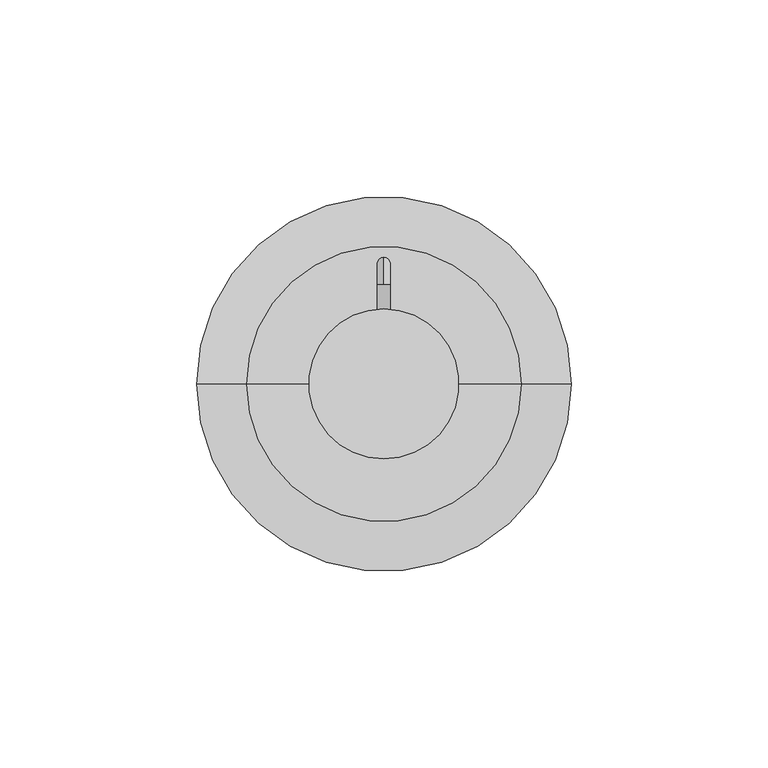
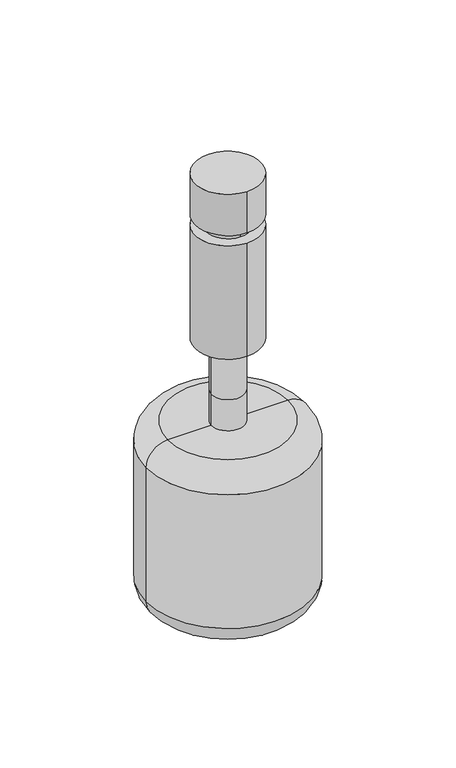
"""IFC4 building model written with IfcOpenShell, lengths in millimetres: proxy geometry."""

from ifc_helpers import new_model, si_unit, point, frame, frame_2d, origin, origin_with_axes, place, context, project, spatial, circle_curve, ellipse_curve, trimmed, segment, composite_curve, outline, extrude, source, transform, mapped, element, save
from ifc_brep_helpers import plane_surface, cylinder_surface, revolved_surface, advanced_brep


def specialty_equipment_76a859bf(model_context):
    return source(origin(), model_context, "Body", "SolidModel", [
        advanced_brep(
        [(13.9267995, 0.0, -50.8), (13.9267995, 0.0, -31.75), (-5.1232005, 0.0, -31.75), (-5.1232005, 0.0, -50.8), (39.3267995, 0.0, -50.8), (-30.5232005, 0.0, -50.8), (52.0267995, 0.0, -63.5), (-43.2232005, 0.0, -63.5), (52.0267995, 0.0, -146.05), (-43.2232005, 0.0, -146.05), (39.3267995, 0.0, -158.75), (-30.5232005, 0.0, -158.75), (4.4017995, 0.0, -158.75), (13.9267995, 0.0, 0.0), (4.4017995, 0.0, 0.0), (-5.1232005, 0.0, 0.0)],
        [
            (0, 1),
            (1, 2, circle_curve(frame((4.4017995, 0.0, -31.75), z_axis=(0.0, 0.0, -1.0), x_axis=(-1.0, 0.0, 0.0)), 9.525)),
            (2, 3),
            (3, 0, circle_curve(frame((4.4017995, 0.0, -50.8), z_axis=(0.0, 0.0, 1.0), x_axis=(-1.0, 0.0, 0.0)), 9.525)),
            (2, 1, circle_curve(frame((4.4017995, 0.0, -31.75), z_axis=(0.0, 0.0, -1.0), x_axis=(-1.0, 0.0, 0.0)), 9.525)),
            (0, 3, circle_curve(frame((4.4017995, 0.0, -50.8), z_axis=(0.0, 0.0, 1.0), x_axis=(-1.0, 0.0, 0.0)), 9.525)),
            (4, 0),
            (3, 5),
            (5, 4, circle_curve(frame((4.4017995, 0.0, -50.8), z_axis=(0.0, 0.0, 1.0), x_axis=(-1.0, 0.0, 0.0)), 34.925)),
            (4, 5, circle_curve(frame((4.4017995, 0.0, -50.8), z_axis=(0.0, 0.0, 1.0), x_axis=(-1.0, 0.0, 0.0)), 34.925)),
            (6, 4, circle_curve(frame((39.3267995, 0.0, -63.5), z_axis=(0.0, -1.0, 0.0), x_axis=(-1.0, 0.0, 0.0)), 12.7)),
            (5, 7, circle_curve(frame((-30.5232005, 0.0, -63.5), z_axis=(0.0, -1.0, 0.0), x_axis=(1.0, 0.0, 0.0)), 12.7)),
            (7, 6, circle_curve(frame((4.4017995, 0.0, -63.5), z_axis=(0.0, 0.0, 1.0), x_axis=(-1.0, 0.0, 0.0)), 47.625)),
            (6, 7, circle_curve(frame((4.4017995, 0.0, -63.5), z_axis=(0.0, 0.0, 1.0), x_axis=(-1.0, 0.0, 0.0)), 47.625)),
            (8, 6),
            (7, 9),
            (9, 8, circle_curve(frame((4.4017995, 0.0, -146.05), z_axis=(0.0, 0.0, 1.0), x_axis=(-1.0, 0.0, 0.0)), 47.625)),
            (8, 9, circle_curve(frame((4.4017995, 0.0, -146.05), z_axis=(0.0, 0.0, 1.0), x_axis=(-1.0, 0.0, 0.0)), 47.625)),
            (10, 8, circle_curve(frame((39.3267995, 0.0, -146.05), z_axis=(0.0, -1.0, 0.0), x_axis=(-1.0, 0.0, 0.0)), 12.7)),
            (9, 11, circle_curve(frame((-30.5232005, 0.0, -146.05), z_axis=(0.0, -1.0, 0.0), x_axis=(1.0, 0.0, 0.0)), 12.7)),
            (11, 10, circle_curve(frame((4.4017995, 0.0, -158.75), z_axis=(0.0, 0.0, 1.0), x_axis=(-1.0, 0.0, 0.0)), 34.925)),
            (10, 11, circle_curve(frame((4.4017995, 0.0, -158.75), z_axis=(0.0, 0.0, 1.0), x_axis=(-1.0, 0.0, 0.0)), 34.925)),
            (12, 10),
            (11, 12),
            (13, 14),
            (14, 15),
            (15, 13, circle_curve(frame((4.4017995, 0.0, 0.0), z_axis=(0.0, 0.0, 1.0), x_axis=(-1.0, 0.0, 0.0)), 9.525)),
            (13, 15, circle_curve(frame((4.4017995, 0.0, 0.0), z_axis=(0.0, 0.0, 1.0), x_axis=(-1.0, 0.0, 0.0)), 9.525)),
            (1, 13),
            (15, 2),
        ],
        [
            cylinder_surface(frame((4.4017995, 0.0, 0.0), z_axis=(0.0, 0.0, -1.0), x_axis=(-1.0, 0.0, 0.0)), 9.525),
            plane_surface(frame((4.4017995, 0.0, -50.8), z_axis=(0.0, 0.0, 1.0), x_axis=(-1.0, 0.0, 0.0))),
            revolved_surface(trimmed(ellipse_curve(frame((-30.5232005, 0.0, -63.5), z_axis=(0.0, -1.0, 0.0), x_axis=(1.0, 0.0, 0.0)), 12.7, 12.7), [point((-30.5232005, 0.0, -50.8))], [point((-43.2232005, 0.0, -63.5))], True, "CARTESIAN"), (4.4017995, 0.0, 0.0), (0.0, 0.0, -1.0)),
            cylinder_surface(frame((4.4017995, 0.0, 0.0), z_axis=(0.0, 0.0, -1.0), x_axis=(-1.0, 0.0, 0.0)), 47.625),
            revolved_surface(trimmed(ellipse_curve(frame((-30.5232005, 0.0, -146.05), z_axis=(0.0, -1.0, 0.0), x_axis=(1.0, 0.0, 0.0)), 12.7, 12.7), [point((-43.2232005, 0.0, -146.05))], [point((-30.5232005, 0.0, -158.75))], True, "CARTESIAN"), (4.4017995, 0.0, 0.0), (0.0, 0.0, -1.0)),
            plane_surface(frame((4.4017995, 0.0, -158.75), z_axis=(0.0, 0.0, -1.0), x_axis=(-1.0, 0.0, 0.0))),
            plane_surface(frame((4.4017995, 0.0, 0.0), z_axis=(0.0, 0.0, 1.0), x_axis=(-1.0, 0.0, 0.0))),
        ],
        [
            (0, [[1, 2, 3, 4]]),
            (0, [[-3, 5, -1, 6]]),
            (1, [[7, -4, 8, 9]]),
            (1, [[-8, -6, -7, 10]]),
            (2, [[11, -9, 12, 13]]),
            (2, [[-12, -10, -11, 14]]),
            (3, [[15, -13, 16, 17]]),
            (3, [[-16, -14, -15, 18]]),
            (4, [[19, -17, 20, 21]]),
            (4, [[-20, -18, -19, 22]]),
            (5, [[23, -21, 24]]),
            (5, [[-24, -22, -23]]),
            (6, [[25, 26, 27]]),
            (6, [[-26, -25, 28]]),
            (0, [[29, -27, 30, -2]]),
            (0, [[-30, -28, -29, -5]]),
        ],
    ),
        advanced_brep(
        [(4.3596196, 25.4, 90.5365489), (4.3596196, 25.4, 87.27831), (4.3596196, 32.1674223, 83.7691266), (4.3596196, 28.9091834, 83.7691266)],
        [
            (0, 1, circle_curve(frame((4.3596196, 25.4, 88.9074295), z_axis=(0.0, -1.0, 0.0), x_axis=(0.0, 0.0, -1.0)), 1.6291195)),
            (1, 0, circle_curve(frame((4.3596196, 25.4, 88.9074295), z_axis=(0.0, -1.0, 0.0), x_axis=(0.0, 0.0, -1.0)), 1.6291195)),
            (2, 3, circle_curve(frame((4.3596196, 30.5383029, 83.7691266), z_axis=(0.0, 0.0, -1.0), x_axis=(0.0, -1.0, 0.0)), 1.6291195)),
            (3, 2, circle_curve(frame((4.3596196, 30.5383029, 83.7691266), z_axis=(0.0, 0.0, -1.0), x_axis=(0.0, -1.0, 0.0)), 1.6291195)),
            (2, 0, circle_curve(frame((4.3596196, 25.4, 83.7691266), z_axis=(1.0, 0.0, 0.0), x_axis=(0.0, 0.0, 1.0)), 6.7674223)),
            (1, 3, circle_curve(frame((4.3596196, 25.4, 83.7691266), z_axis=(-1.0, 0.0, 0.0), x_axis=(0.0, 0.0, 1.0)), 3.5091834)),
        ],
        [
            plane_surface(frame((-141.6903804, 25.4, 88.9074295), z_axis=(0.0, -1.0, 0.0), x_axis=(1.0, 0.0, 0.0))),
            plane_surface(frame((-141.6903804, 30.5383029, 83.7691266), z_axis=(0.0, 0.0, -1.0), x_axis=(1.0, 0.0, 0.0))),
            revolved_surface(trimmed(ellipse_curve(frame((4.3596196, 25.4, 88.9074295), z_axis=(0.0, 1.0, 0.0), x_axis=(0.0, 0.0, -1.0)), 1.6291195, 1.6291195), [point((4.3596196, 25.4, 90.5365489))], [point((4.3596196, 25.4, 87.27831))], True, "CARTESIAN"), (-141.6903804, 25.4, 83.7691266), (1.0, 0.0, 0.0)),
            revolved_surface(trimmed(ellipse_curve(frame((4.3596196, 25.4, 88.9074295), z_axis=(0.0, 1.0, 0.0), x_axis=(0.0, 0.0, -1.0)), 1.6291195, 1.6291195), [point((4.3596196, 25.4, 87.27831))], [point((4.3596196, 25.4, 90.5365489))], True, "CARTESIAN"), (-141.6903804, 25.4, 83.7691266), (1.0, 0.0, 0.0)),
        ],
        [
            (0, [[1, 2]]),
            (1, [[3, 4]]),
            (2, [[-3, 5, -2, 6]]),
            (3, [[-4, -6, -1, -5]]),
        ],
    ),
        extrude(outline(composite_curve([segment(trimmed(circle_curve(frame_2d((88.9, 4.3521901)), 1.6460119), [point((88.9, 2.7061782))], [point((88.9, 5.998202))], False, "CARTESIAN"), True, "CONTINUOUS"), segment(trimmed(circle_curve(frame_2d((88.9, 4.3521901)), 1.6460119), [point((88.9, 5.998202))], [point((88.9, 2.7061782))], False, "CARTESIAN"), True, "CONTINUOUS")], self_intersect=False)), frame((0.0, 19.05, 0.0), z_axis=(0.0, 1.0, 0.0), x_axis=(0.0, 0.0, 1.0)), (0.0, 0.0, 1.0), 6.35),
        extrude(outline(composite_curve([segment(trimmed(circle_curve(frame_2d((4.4017995, 0.0)), 19.05), [point((4.4017995, -19.05))], [point((4.4017995, 19.05))], False, "CARTESIAN"), True, "CONTINUOUS"), segment(trimmed(circle_curve(frame_2d((4.4017995, 0.0)), 19.05), [point((4.4017995, 19.05))], [point((4.4017995, -19.05))], False, "CARTESIAN"), True, "CONTINUOUS")], self_intersect=False)), frame((0.0, 0.0, 76.2), z_axis=(0.0, 0.0, 1.0), x_axis=(1.0, 0.0, 0.0)), (0.0, 0.0, 1.0), 25.4),
        extrude(outline(composite_curve([segment(trimmed(circle_curve(frame_2d((4.4017995, 0.0)), 12.7), [point((4.4017995, -12.7))], [point((4.4017995, 12.7))], False, "CARTESIAN"), True, "CONTINUOUS"), segment(trimmed(circle_curve(frame_2d((4.4017995, 0.0)), 12.7), [point((4.4017995, 12.7))], [point((4.4017995, -12.7))], False, "CARTESIAN"), True, "CONTINUOUS")], self_intersect=False)), frame((0.0, 0.0, 69.85), z_axis=(0.0, 0.0, 1.0), x_axis=(1.0, 0.0, 0.0)), (0.0, 0.0, 1.0), 6.35),
        extrude(outline(composite_curve([segment(trimmed(circle_curve(frame_2d((4.4017995, 0.0)), 19.05), [point((4.4017995, -19.05))], [point((4.4017995, 19.05))], False, "CARTESIAN"), True, "CONTINUOUS"), segment(trimmed(circle_curve(frame_2d((4.4017995, 0.0)), 19.05), [point((4.4017995, 19.05))], [point((4.4017995, -19.05))], False, "CARTESIAN"), True, "CONTINUOUS")], self_intersect=False)), origin_with_axes(), (0.0, 0.0, 1.0), 69.85),
    ])


if __name__ == "__main__":
    model = new_model("IFC4")
    model_context = context("Model", 3, world=origin())
    ifc_project = project(units=[si_unit("LENGTHUNIT", "METRE", prefix="MILLI")], contexts=[model_context])
    site = spatial("IfcSite", under=ifc_project)
    building = spatial("IfcBuilding", under=site)
    placement = place(None, origin())
    specialty_equipment_shape = specialty_equipment_76a859bf(model_context)
    element("IfcBuildingElementProxy", 1, Name="Specialty Equipment", at=placement, inside=building, context=model_context, shape_type="MappedRepresentation", body=[
        mapped(specialty_equipment_shape, transform((0.0, 0.0, 0.0), x_axis=(1.0, 0.0, 0.0), y_axis=(0.0, 1.0, 0.0), z_axis=(0.0, 0.0, 1.0))),
    ])
    save(model, "model.ifc")
